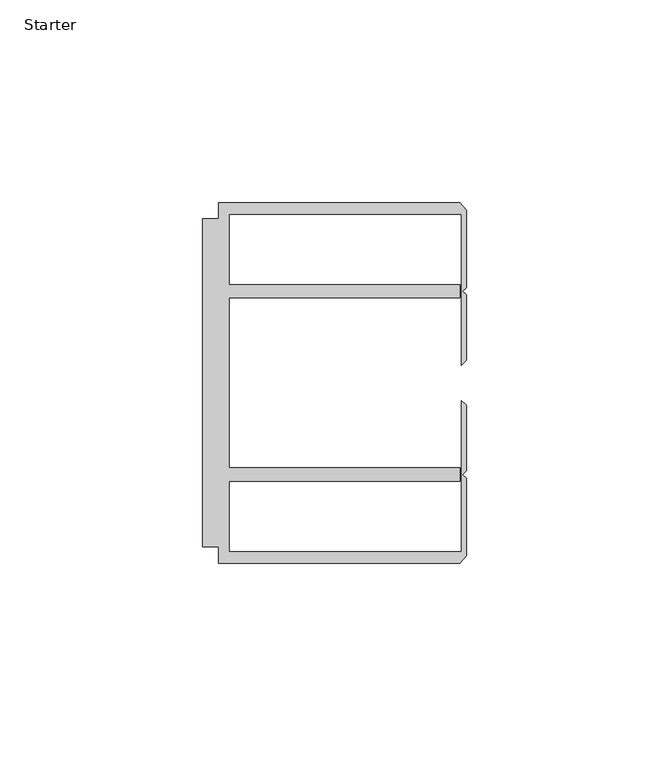
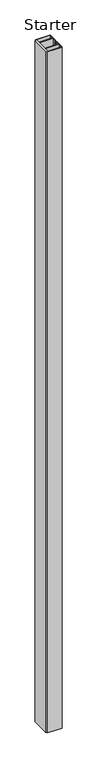
"""IFC4 building model written with IfcOpenShell, lengths in millimetres: furniture geometry, Starter."""

from ifc_helpers import new_model, si_unit, origin, origin_with_axes, place, context, project, spatial, polyline, outline, extrude, source, transform, mapped, element, save


def starter_5e12744a(model_context):
    return source(origin(), model_context, "Body", "SweptSolid", [
        extrude(outline(polyline([(33.9771533, 59.951805), (93.4771531, 59.951805), (95.0646531, 58.0797005), (95.0646531, 39.033865), (94.1563205, 38.1255324), (95.0646531, 37.2171998), (95.0646531, 21.058055), (93.9195633, 19.9129652), (93.9195633, 57.1518064), (36.5771534, 57.1518064), (36.5771534, 39.7518058), (93.4771531, 39.7518058), (93.4771531, 36.4518057), (36.5771534, 36.4518057), (36.5771534, -5.4481956), (93.4771531, -5.4481956), (93.4771531, -8.7481957), (36.5771534, -8.7481957), (36.5771534, -26.1481963), (93.9195633, -26.1481963), (93.9195633, 11.0906449), (95.0646531, 9.945555), (95.0646531, -6.2135897), (94.1563205, -7.1219223), (95.0646531, -8.0302549), (95.0646531, -27.0760904), (93.4771531, -28.948195), (33.9771533, -28.948195), (33.9771533, -24.9481962), (29.9771531, -24.9481962), (29.9771531, 55.9518063), (33.9771533, 55.9518063), (33.9771533, 59.951805)])), origin_with_axes(), (0.0, 0.0, 1.0), 3048.0),
    ])


if __name__ == "__main__":
    model = new_model("IFC4")
    model_context = context("Model", 3, world=origin())
    ifc_project = project(units=[si_unit("LENGTHUNIT", "METRE", prefix="MILLI")], contexts=[model_context])
    site = spatial("IfcSite", under=ifc_project)
    building = spatial("IfcBuilding", under=site)
    placement = place(None, origin())
    starter_shape = starter_5e12744a(model_context)
    element("IfcFurniture", 1, ObjectType="Starter", at=placement, inside=building, context=model_context, shape_type="MappedRepresentation", body=[
        mapped(starter_shape, transform((0.0, 0.0, 0.0), x_axis=(1.0, 0.0, 0.0), y_axis=(0.0, 1.0, 0.0), z_axis=(0.0, 0.0, 1.0))),
    ])
    save(model, "model.ifc")
